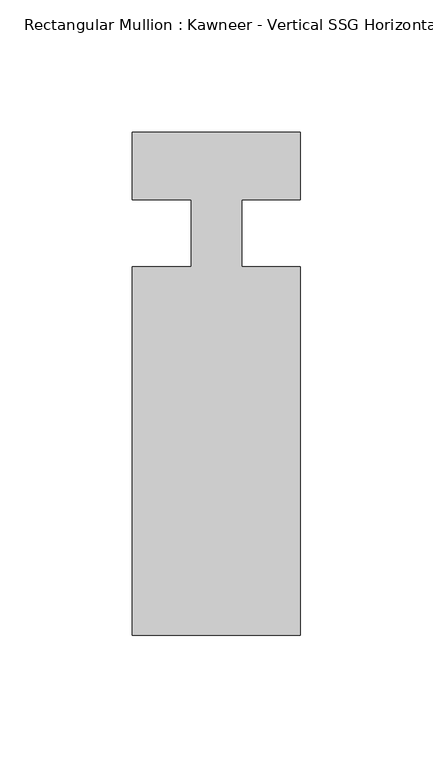
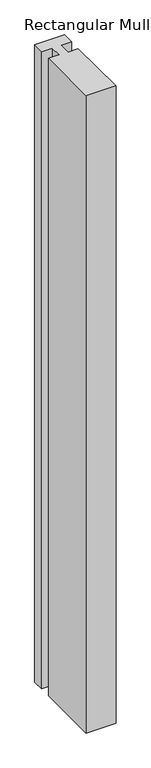
"""IFC4 building model written with IfcOpenShell, lengths in millimetres: member geometry."""

from ifc_helpers import new_model, si_unit, frame, origin, place, context, project, spatial, polyline, outline, extrude, source, transform, mapped, element, save


def member_4181e912(model_context):
    return source(origin(), model_context, "Body", "SweptSolid", [
        extrude(outline(polyline([(-9.525, 12.7), (-31.75, 12.7), (-31.75, 38.1), (31.75, 38.1), (31.75, 12.7), (9.5251132, 12.7), (9.5251132, -12.7), (31.75, -12.7), (31.75, -151.892), (-31.75, -151.892), (-31.75, -12.7), (-9.525, -12.7), (-9.525, 12.7)])), frame((0.0, 0.0, -1437.2055615), z_axis=(0.0, 0.0, 1.0), x_axis=(1.0, 0.0, 0.0)), (0.0, 0.0, 1.0), 1437.2055615),
    ])


if __name__ == "__main__":
    model = new_model("IFC4")
    model_context = context("Model", 3, world=origin())
    ifc_project = project(units=[si_unit("LENGTHUNIT", "METRE", prefix="MILLI")], contexts=[model_context])
    site = spatial("IfcSite", under=ifc_project)
    building = spatial("IfcBuilding", under=site)
    placement = place(None, origin())
    member_shape = member_4181e912(model_context)
    element("IfcMember", 1, ObjectType="Rectangular Mullion : Kawneer - Vertical SSG Horizontal Mullion - 7 1/2\"", at=placement, inside=building, context=model_context, shape_type="MappedRepresentation", body=[
        mapped(member_shape, transform((0.0, 0.0, 0.0), x_axis=(1.0, 0.0, 0.0), y_axis=(0.0, 1.0, 0.0), z_axis=(0.0, 0.0, 1.0))),
    ])
    save(model, "model.ifc")
